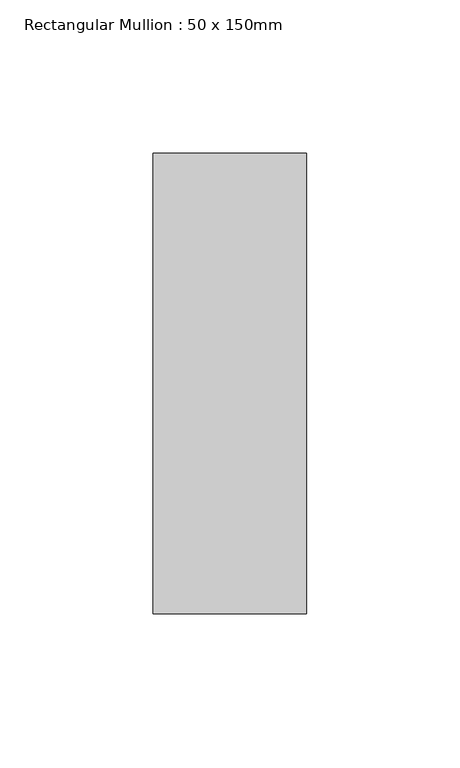
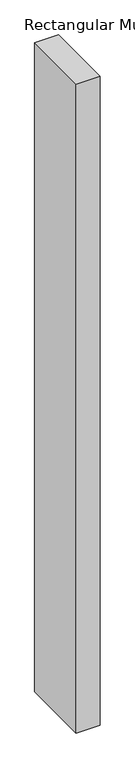
"""IFC4 building model written with IfcOpenShell, lengths in millimetres: member geometry, Rectangular Mullion : 50 x 150mm."""

from ifc_helpers import new_model, si_unit, frame, origin, place, context, project, spatial, polyline, outline, extrude, source, transform, mapped, element, save


def rectangular_mullion_50_x_150mm_8c5504e9(model_context):
    return source(origin(), model_context, "Body", "SweptSolid", [
        extrude(outline(polyline([(0.0, 75.0), (0.0, -75.0), (-50.0, -75.0), (-50.0, 75.0), (0.0, 75.0)])), frame((0.0, 0.0, -1430.004786), z_axis=(0.0, 0.0, 1.0), x_axis=(1.0, 0.0, 0.0)), (0.0, 0.0, 1.0), 1430.004786),
    ])


if __name__ == "__main__":
    model = new_model("IFC4")
    model_context = context("Model", 3, world=origin())
    ifc_project = project(units=[si_unit("LENGTHUNIT", "METRE", prefix="MILLI")], contexts=[model_context])
    site = spatial("IfcSite", under=ifc_project)
    building = spatial("IfcBuilding", under=site)
    placement = place(None, origin())
    rectangular_mullion_50_x_150mm_shape = rectangular_mullion_50_x_150mm_8c5504e9(model_context)
    element("IfcMember", 1, ObjectType="Rectangular Mullion : 50 x 150mm", at=placement, inside=building, context=model_context, shape_type="MappedRepresentation", body=[
        mapped(rectangular_mullion_50_x_150mm_shape, transform((0.0, 0.0, 0.0), x_axis=(1.0, 0.0, 0.0), y_axis=(0.0, 1.0, 0.0), z_axis=(0.0, 0.0, 1.0))),
    ])
    save(model, "model.ifc")
